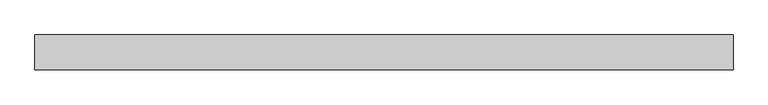
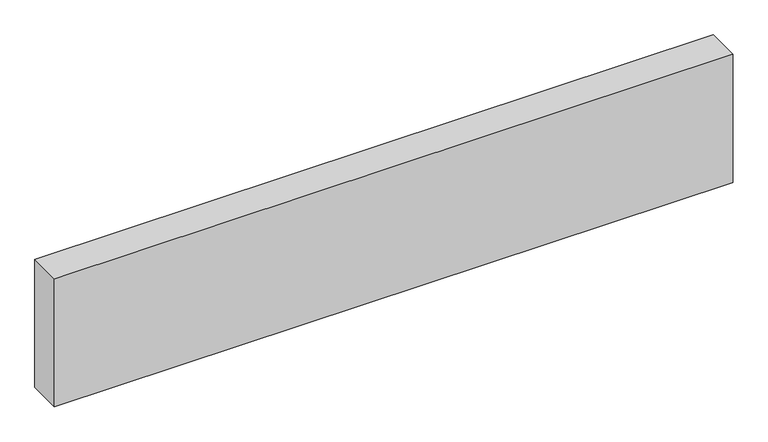
"""IFC4 building model written with IfcOpenShell, lengths in millimetres: plate geometry."""

from ifc_helpers import new_model, si_unit, origin, origin_with_axes, place, context, project, spatial, polyline, outline, extrude, source, transform, mapped, element, save


def plate_ecfa8f80(model_context):
    return source(origin(), model_context, "Body", "SweptSolid", [
        extrude(outline(polyline([(1500.0, -75.0), (-1500.0, -75.0), (-1500.0, 75.0), (1500.0, 75.0), (1500.0, -75.0)])), origin_with_axes(), (0.0, 0.0, 1.0), 599.05),
    ])


if __name__ == "__main__":
    model = new_model("IFC4")
    model_context = context("Model", 3, world=origin())
    ifc_project = project(units=[si_unit("LENGTHUNIT", "METRE", prefix="MILLI")], contexts=[model_context])
    site = spatial("IfcSite", under=ifc_project)
    building = spatial("IfcBuilding", under=site)
    placement = place(None, origin())
    plate_shape = plate_ecfa8f80(model_context)
    element("IfcPlate", 1, at=placement, inside=building, context=model_context, shape_type="MappedRepresentation", body=[
        mapped(plate_shape, transform((0.0, 0.0, 0.0), x_axis=(1.0, 0.0, 0.0), y_axis=(0.0, 1.0, 0.0), z_axis=(0.0, 0.0, 1.0))),
    ])
    save(model, "model.ifc")
